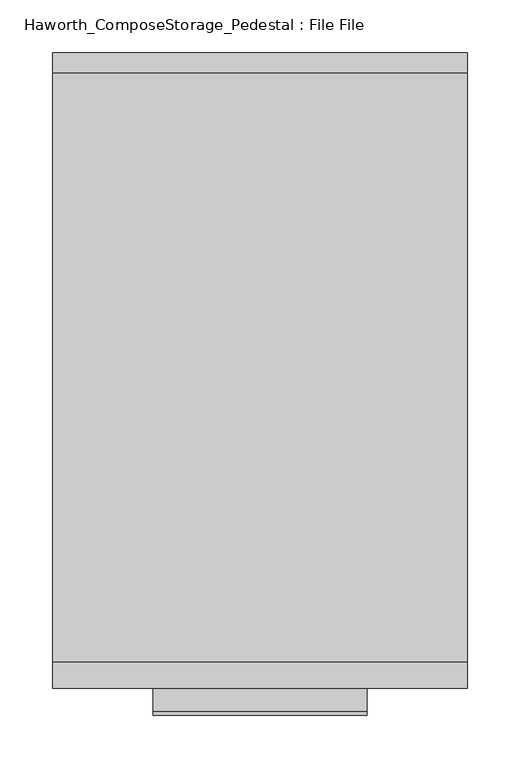
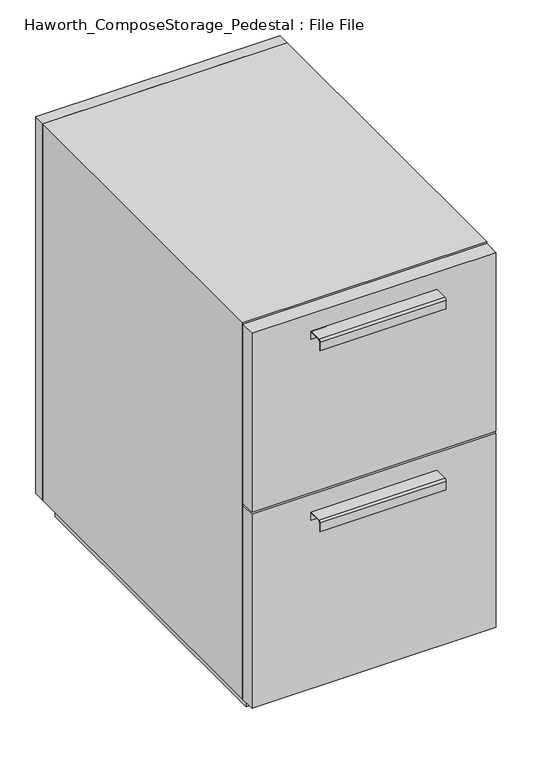
"""IFC4 building model written with IfcOpenShell, lengths in millimetres: furniture geometry, Haworth_ComposeStorage_Pedestal : File File."""

from ifc_helpers import new_model, si_unit, point, frame, frame_2d, origin, origin_with_axes, place, context, project, spatial, polyline, circle_curve, trimmed, segment, composite_curve, outline, extrude, source, transform, mapped, element, save


def haworth_composestorage_pedestal_file_file_4060c18d(model_context):
    return source(origin(), model_context, "Body", "SweptSolid", [
        extrude(outline(composite_curve([segment(polyline([(-276.2250242, 633.9919215), (-254.0, 633.9919215), (-254.0, 620.5299525), (-254.7937742, 620.5299525), (-254.7937742, 633.1982199), (-276.2250242, 633.1982199)]), True, "CONTINUOUS"), segment(trimmed(circle_curve(frame_2d((-276.2250242, 630.8142808)), 2.3839392), [point((-276.2250242, 633.1982199))], [point((-278.6089634, 630.8142808))], True, "CARTESIAN"), True, "CONTINUOUS"), segment(polyline([(-278.6089634, 630.8142808), (-278.6089634, 616.2119021), (-279.3999758, 616.2119021), (-279.3999758, 630.8169699)]), True, "CONTINUOUS"), segment(trimmed(circle_curve(frame_2d((-276.2250242, 630.8169699)), 3.1749516), [point((-279.3999758, 630.8169699))], [point((-276.2250242, 633.9919215))], False, "CARTESIAN"), True, "CONTINUOUS")], self_intersect=False)), frame((-101.5861094, 0.0, 0.0), z_axis=(1.0, 0.0, 0.0), x_axis=(0.0, 1.0, 0.0)), (0.0, 0.0, 1.0), 203.2),
        extrude(outline(polyline([(196.8638906, -228.6), (196.8638906, -254.0), (-196.8361094, -254.0), (-196.8361094, -228.6), (196.8638906, -228.6)])), frame((0.0, 0.0, 358.775), z_axis=(0.0, 0.0, 1.0), x_axis=(1.0, 0.0, 0.0)), (0.0, 0.0, 1.0), 304.8),
        extrude(outline(composite_curve([segment(polyline([(-276.2250242, 326.0169215), (-254.0, 326.0169215), (-254.0, 312.5549525), (-254.7937742, 312.5549525), (-254.7937742, 325.2232199), (-276.2250242, 325.2232199)]), True, "CONTINUOUS"), segment(trimmed(circle_curve(frame_2d((-276.2250242, 322.8392808)), 2.3839392), [point((-276.2250242, 325.2232199))], [point((-278.6089634, 322.8392808))], True, "CARTESIAN"), True, "CONTINUOUS"), segment(polyline([(-278.6089634, 322.8392808), (-278.6089634, 308.2369021), (-279.3999758, 308.2369021), (-279.3999758, 322.8419699)]), True, "CONTINUOUS"), segment(trimmed(circle_curve(frame_2d((-276.2250242, 322.8419699)), 3.1749516), [point((-279.3999758, 322.8419699))], [point((-276.2250242, 326.0169215))], False, "CARTESIAN"), True, "CONTINUOUS")], self_intersect=False)), frame((-101.5861094, 0.0, 0.0), z_axis=(1.0, 0.0, 0.0), x_axis=(0.0, 1.0, 0.0)), (0.0, 0.0, 1.0), 203.2),
        extrude(outline(polyline([(196.8638906, -228.6), (196.8638906, -254.0), (-196.8361094, -254.0), (-196.8361094, -228.6), (196.8638906, -228.6)])), frame((0.0, 0.0, 25.4), z_axis=(0.0, 0.0, 1.0), x_axis=(1.0, 0.0, 0.0)), (0.0, 0.0, 1.0), 330.2),
        extrude(outline(polyline([(196.8638906, 330.2), (-196.8361094, 330.2), (-196.8361094, 349.25), (196.8638906, 349.25), (196.8638906, 330.2)])), frame((0.0, 0.0, 25.4), z_axis=(0.0, 0.0, 1.0), x_axis=(1.0, 0.0, 0.0)), (0.0, 0.0, 1.0), 641.35),
        extrude(outline(polyline([(25.4, -196.8361094), (25.4, 196.8638906), (666.75, 196.8638906), (666.75, -196.8361094), (25.4, -196.8361094)]), holes=[polyline([(44.45, -177.7861094), (647.7, -177.7861094), (647.7, 177.8069453), (44.45, 177.8069453), (44.45, -177.7861094)])]), frame((0.0, -228.6, 0.0), z_axis=(0.0, 1.0, 0.0), x_axis=(0.0, 0.0, 1.0)), (0.0, 0.0, 1.0), 558.8),
        extrude(outline(polyline([(-177.7791641, 295.275), (-177.7791641, 304.8), (177.8069453, 304.8), (177.8069453, 295.275), (-177.7791641, 295.275)])), frame((0.0, 0.0, 44.45), z_axis=(0.0, 0.0, 1.0), x_axis=(1.0, 0.0, 0.0)), (0.0, 0.0, 1.0), 603.25),
        extrude(outline(polyline([(184.1638906, -215.9), (-184.1361094, -215.9), (-184.1361094, 317.5), (184.1638906, 317.5), (184.1638906, -215.9)])), origin_with_axes(), (0.0, 0.0, 1.0), 25.4),
    ])


if __name__ == "__main__":
    model = new_model("IFC4")
    model_context = context("Model", 3, world=origin())
    ifc_project = project(units=[si_unit("LENGTHUNIT", "METRE", prefix="MILLI")], contexts=[model_context])
    site = spatial("IfcSite", under=ifc_project)
    building = spatial("IfcBuilding", under=site)
    placement = place(None, origin())
    haworth_composestorage_pedestal_file_file_shape = haworth_composestorage_pedestal_file_file_4060c18d(model_context)
    element("IfcFurniture", 1, ObjectType="Haworth_ComposeStorage_Pedestal : File File", at=placement, inside=building, context=model_context, shape_type="MappedRepresentation", body=[
        mapped(haworth_composestorage_pedestal_file_file_shape, transform((0.0, 0.0, 0.0), x_axis=(1.0, 0.0, 0.0), y_axis=(0.0, 1.0, 0.0), z_axis=(0.0, 0.0, 1.0))),
    ])
    save(model, "model.ifc")
